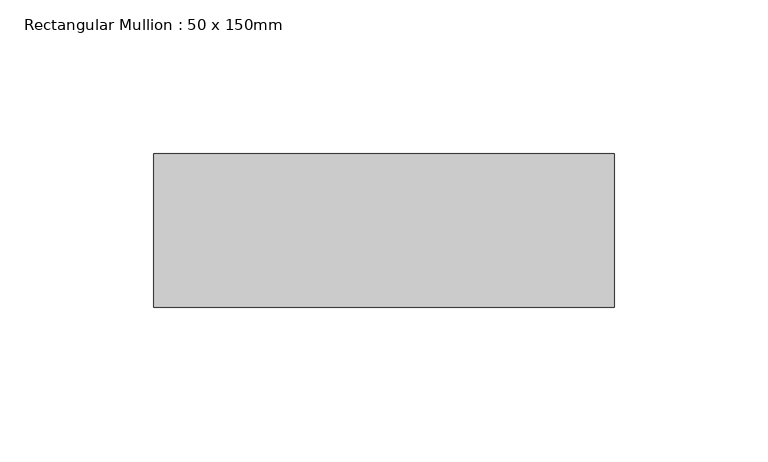
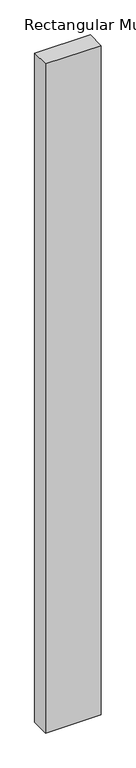
"""IFC4 building model written with IfcOpenShell, lengths in millimetres: member geometry, Rectangular Mullion : 50 x 150mm."""

from ifc_helpers import new_model, si_unit, frame, origin, place, context, project, spatial, polyline, outline, extrude, source, transform, mapped, element, save


def rectangular_mullion_50_x_150mm_8f77aa92(model_context):
    return source(origin(), model_context, "Body", "SweptSolid", [
        extrude(outline(polyline([(150.0, 50.0), (150.0, 0.0), (0.0, 0.0), (0.0, 50.0), (150.0, 50.0)])), frame((0.0, 0.0, -1906.0), z_axis=(0.0, 0.0, 1.0), x_axis=(1.0, 0.0, 0.0)), (0.0, 0.0, 1.0), 1906.0),
    ])


if __name__ == "__main__":
    model = new_model("IFC4")
    model_context = context("Model", 3, world=origin())
    ifc_project = project(units=[si_unit("LENGTHUNIT", "METRE", prefix="MILLI")], contexts=[model_context])
    site = spatial("IfcSite", under=ifc_project)
    building = spatial("IfcBuilding", under=site)
    placement = place(None, origin())
    rectangular_mullion_50_x_150mm_shape = rectangular_mullion_50_x_150mm_8f77aa92(model_context)
    element("IfcMember", 1, ObjectType="Rectangular Mullion : 50 x 150mm", at=placement, inside=building, context=model_context, shape_type="MappedRepresentation", body=[
        mapped(rectangular_mullion_50_x_150mm_shape, transform((0.0, 0.0, 0.0), x_axis=(1.0, 0.0, 0.0), y_axis=(0.0, 1.0, 0.0), z_axis=(0.0, 0.0, 1.0))),
    ])
    save(model, "model.ifc")
